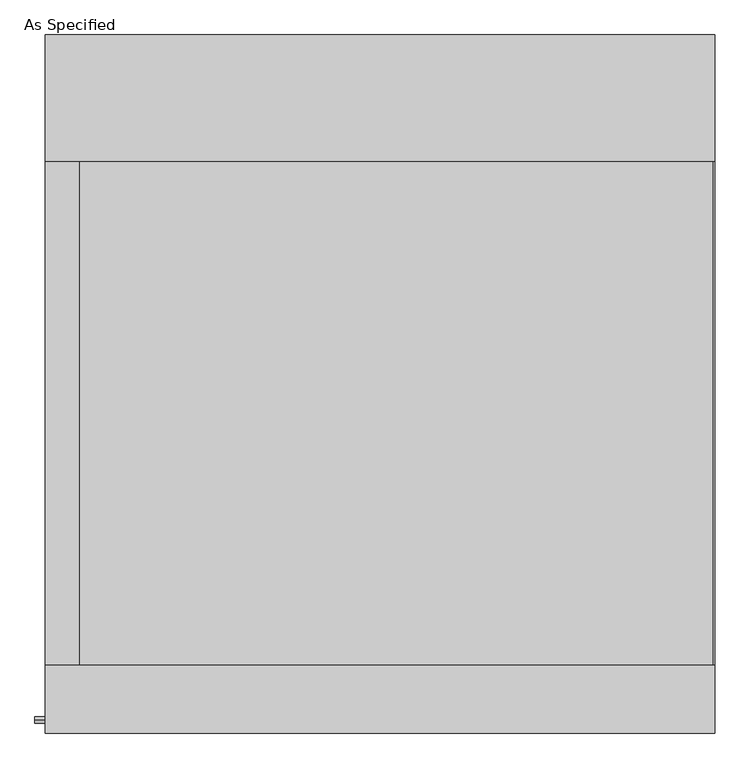
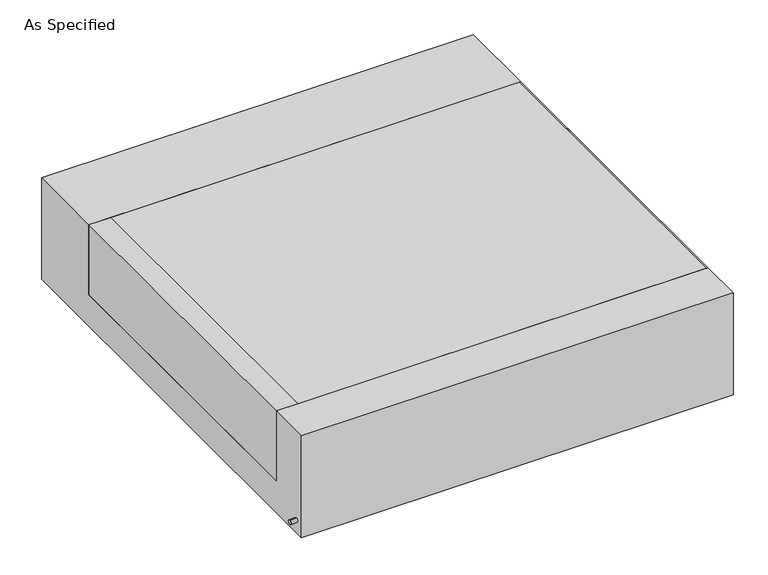
"""IFC4 building model written with IfcOpenShell, lengths in millimetres: proxy geometry, As Specified."""

from ifc_helpers import new_model, si_unit, point, frame, frame_2d, origin, place, context, project, spatial, polyline, circle_curve, trimmed, segment, composite_curve, outline, extrude, source, transform, mapped, element, save


def as_specified_54d7f805(model_context):
    return source(origin(), model_context, "Body", "SweptSolid", [
        extrude(outline(composite_curve([segment(trimmed(circle_curve(frame_2d((-1017.5875, -466.725)), 10.5), [point((-1017.5875, -456.225))], [point((-1017.5875, -477.225))], False, "CARTESIAN"), True, "CONTINUOUS"), segment(trimmed(circle_curve(frame_2d((-1017.5875, -466.725)), 10.5), [point((-1017.5875, -477.225))], [point((-1017.5875, -456.225))], False, "CARTESIAN"), True, "CONTINUOUS")], self_intersect=False)), frame((-1046.2528384, 0.0, 0.0), z_axis=(1.0, 0.0, 0.0), x_axis=(0.0, 1.0, 0.0)), (0.0, 0.0, 1.0), 31.8403384),
        extrude(outline(polyline([(-912.01875, 673.1), (-912.01875, -850.9), (-1014.4125, -850.9), (-1014.4125, 673.1), (-912.01875, 673.1)])), frame((0.0, 0.0, -373.0625), z_axis=(0.0, 0.0, 1.0), x_axis=(1.0, 0.0, 0.0)), (0.0, 0.0, 1.0), 347.6625),
        extrude(outline(polyline([(1010.44375, 673.1), (1014.4125, 673.1), (1014.4125, -850.9), (1010.44375, -850.9), (1010.44375, 673.1)])), frame((0.0, 0.0, -39.6875), z_axis=(0.0, 0.0, 1.0), x_axis=(1.0, 0.0, 0.0)), (0.0, 0.0, 1.0), 14.2875),
        extrude(outline(polyline([(1014.4125, 673.1), (1014.4125, -850.9), (-912.01875, -850.9), (-912.01875, 673.1), (1014.4125, 673.1)])), frame((0.0, 0.0, -373.0625), z_axis=(0.0, 0.0, 1.0), x_axis=(1.0, 0.0, 0.0)), (0.0, 0.0, 1.0), 347.6625),
        extrude(outline(polyline([(1057.275, -25.4), (1057.275, -530.225), (-1057.275, -530.225), (-1057.275, -25.4), (-850.9, -25.4), (-850.9, -373.0625), (673.1, -373.0625), (673.1, -25.4), (1057.275, -25.4)])), frame((-1014.4125, 0.0, 0.0), z_axis=(1.0, 0.0, 0.0), x_axis=(0.0, 1.0, 0.0)), (0.0, 0.0, 1.0), 2028.825),
    ])


if __name__ == "__main__":
    model = new_model("IFC4")
    model_context = context("Model", 3, world=origin())
    ifc_project = project(units=[si_unit("LENGTHUNIT", "METRE", prefix="MILLI")], contexts=[model_context])
    site = spatial("IfcSite", under=ifc_project)
    building = spatial("IfcBuilding", under=site)
    placement = place(None, origin())
    as_specified_shape = as_specified_54d7f805(model_context)
    element("IfcBuildingElementProxy", 1, Name="As Specified", ObjectType="As Specified", at=placement, inside=building, context=model_context, shape_type="MappedRepresentation", body=[
        mapped(as_specified_shape, transform((0.0, 0.0, 0.0), x_axis=(1.0, 0.0, 0.0), y_axis=(0.0, 1.0, 0.0), z_axis=(0.0, 0.0, 1.0))),
    ])
    save(model, "model.ifc")
